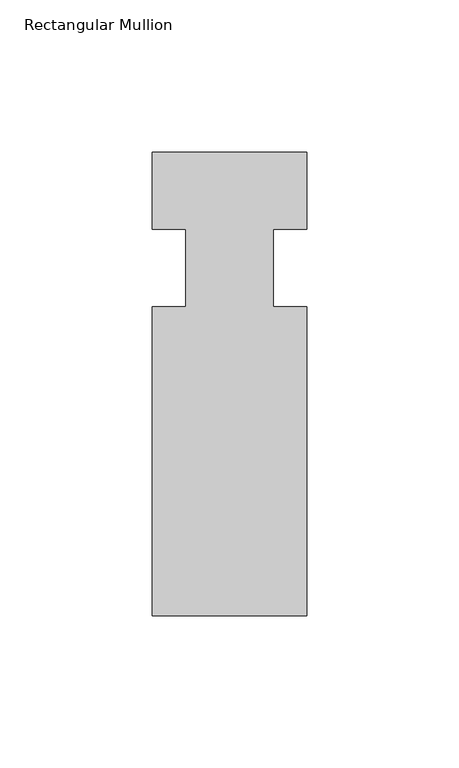
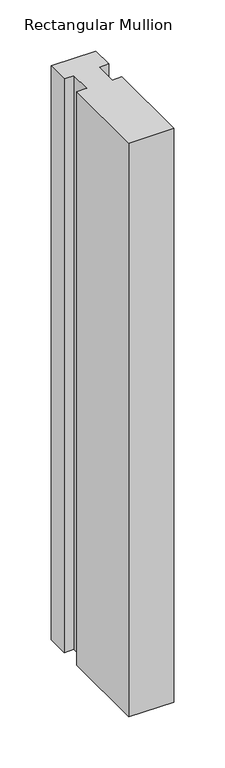
"""IFC4 building model written with IfcOpenShell, lengths in millimetres: member geometry, Rectangular Mullion."""

from ifc_helpers import new_model, si_unit, frame, origin, place, context, project, spatial, polyline, outline, extrude, source, transform, mapped, element, save


def rectangular_mullion_742e7e58(model_context):
    return source(origin(), model_context, "Body", "SweptSolid", [
        extrude(outline(polyline([(25.4, 0.0), (25.4, -25.4), (14.398625, -25.4), (14.398625, -50.8), (25.4, -50.8), (25.4, -152.4), (-25.4, -152.4), (-25.4, -50.8), (-14.398625, -50.8), (-14.398625, -25.4), (-25.4, -25.4), (-25.4, 0.0), (25.4, 0.0)])), frame((0.0, 0.0, -685.8), z_axis=(0.0, 0.0, 1.0), x_axis=(1.0, 0.0, 0.0)), (0.0, 0.0, 1.0), 685.8),
    ])


if __name__ == "__main__":
    model = new_model("IFC4")
    model_context = context("Model", 3, world=origin())
    ifc_project = project(units=[si_unit("LENGTHUNIT", "METRE", prefix="MILLI")], contexts=[model_context])
    site = spatial("IfcSite", under=ifc_project)
    building = spatial("IfcBuilding", under=site)
    placement = place(None, origin())
    rectangular_mullion_shape = rectangular_mullion_742e7e58(model_context)
    element("IfcMember", 1, ObjectType="Rectangular Mullion", at=placement, inside=building, context=model_context, shape_type="MappedRepresentation", body=[
        mapped(rectangular_mullion_shape, transform((0.0, 0.0, 0.0), x_axis=(1.0, 0.0, 0.0), y_axis=(0.0, 1.0, 0.0), z_axis=(0.0, 0.0, 1.0))),
    ])
    save(model, "model.ifc")
